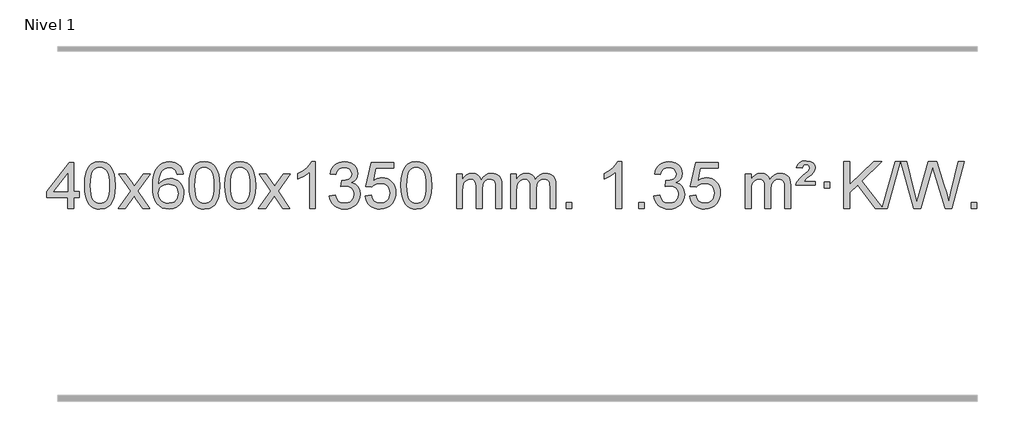
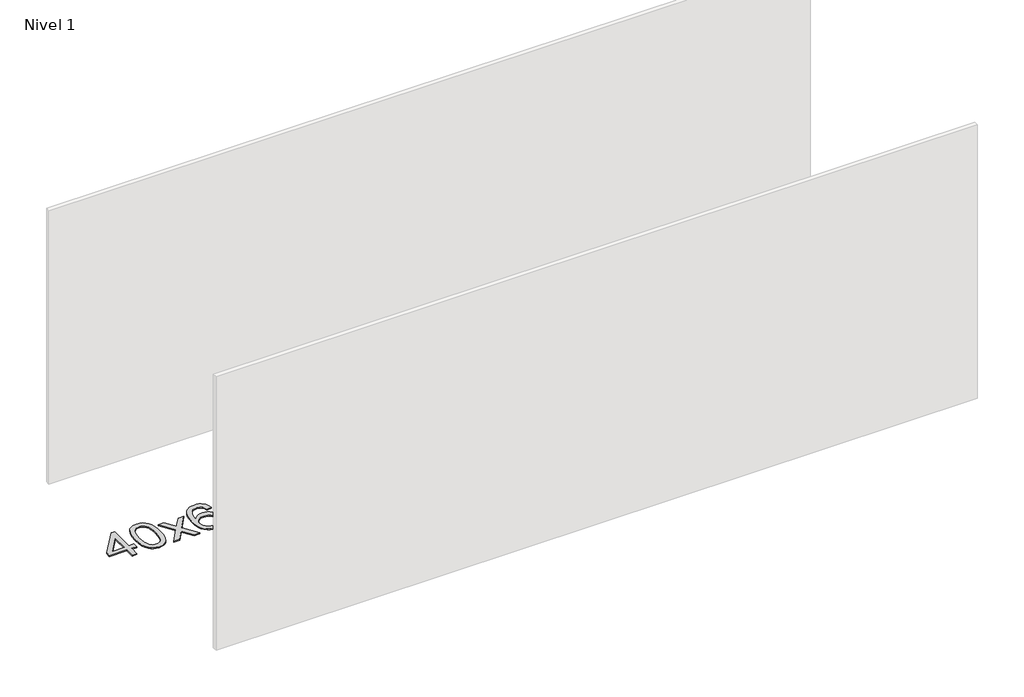
# One storey, part 10 of 10: 1 proxy.
"""IFC4 building model written with IfcOpenShell, lengths in millimetres."""

from ifc_helpers import new_model, si_unit, origin, origin_with_axes, place, context, project, spatial, polyline, outline, extrude, element, save

model = new_model("IFC4")

# Units and contexts
model_context = context("Model", 3, world=origin())
ifc_project = project(units=[si_unit("LENGTHUNIT", "METRE", prefix="MILLI")], contexts=[model_context])

# Site, building, storey
site = spatial("IfcSite", under=ifc_project)
building = spatial("IfcBuilding", under=site)
storey = spatial("IfcBuildingStorey", under=building, Name="Nivel 1", Elevation=0.0)

# Proxy
placement = place(None, origin())
element("IfcBuildingElementProxy", 1, Name="Texto de modelo 1", ObjectType="Texto de modelo 1", at=placement, inside=storey, context=model_context, shape_type="SweptSolid", body=[
    extrude(outline(polyline([(-6446.7519314, 2608.420547), (-6446.7519314, 2702.5983378), (-6628.8289935, 2702.5983378), (-6628.8289935, 2752.8264928), (-6434.1948926, 3003.9672682), (-6396.5237763, 3003.9672682), (-6396.5237763, 2752.8264928), (-6346.2956212, 2752.8264928), (-6346.2956212, 2702.5983378), (-6396.5237763, 2702.5983378), (-6396.5237763, 2608.420547), (-6446.7519314, 2608.420547)]), holes=[polyline([(-6446.7519314, 2752.8264928), (-6446.7519314, 2908.0236439), (-6567.0248183, 2752.8264928), (-6446.7519314, 2752.8264928)])]), origin_with_axes(), (0.0, 0.0, 1.0), 10.0),
    extrude(outline(polyline([(-6302.3459855, 2806.0958057), (-6298.6549029, 2870.4138412), (-6287.5816548, 2921.7088541), (-6269.236606, 2960.7656593), (-6257.378543, 2975.9990395), (-6243.730121, 2988.3690716), (-6228.2453547, 2997.9401349), (-6210.8782588, 3004.7766086), (-6170.4970785, 3010.2457876), (-6139.5459399, 3007.008426), (-6111.832163, 2997.2963414), (-6088.6555973, 2981.4896783), (-6071.3160926, 2959.9685816), (-6058.2194935, 2932.9169922), (-6047.7716449, 2900.5188512), (-6040.9290398, 2859.3773814), (-6038.6481714, 2806.0958057), (-6042.3024659, 2742.1456523), (-6053.2653493, 2690.9732667), (-6071.5000336, 2651.8796734), (-6083.3305054, 2636.6003078), (-6096.9697304, 2624.1658964), (-6112.4728908, 2614.5304538), (-6129.8951689, 2607.6479948), (-6170.4970785, 2602.1420276), (-6198.1618045, 2604.5332606), (-6222.6872709, 2611.7069595), (-6244.0734775, 2623.6631243), (-6262.3204245, 2640.4017551), (-6279.8316074, 2670.6600492), (-6292.3395953, 2708.3618224), (-6299.844388, 2753.5070745), (-6302.3459855, 2806.0958057)]), holes=[polyline([(-6252.1178305, 2806.1939076), (-6250.6463025, 2762.5293805), (-6246.2317185, 2727.1851178), (-6238.8740786, 2700.1611196), (-6228.5733828, 2681.4573858), (-6216.1144459, 2668.7317344), (-6202.2820829, 2659.6419835), (-6187.0762937, 2654.1881329), (-6170.4970785, 2652.3701827), (-6153.9178632, 2654.1942643), (-6138.7120741, 2659.6665089), (-6124.8797111, 2668.7869167), (-6112.4207742, 2681.5554876), (-6102.1200783, 2700.2898783), (-6094.7624384, 2727.3077451), (-6090.3478545, 2762.6090882), (-6088.8763265, 2806.1939076), (-6090.2988035, 2848.7026722), (-6094.5662347, 2883.4246011), (-6101.6786199, 2910.3596945), (-6111.6359592, 2929.5079524), (-6123.8864297, 2942.8559375), (-6137.8782082, 2952.3902125), (-6153.6112949, 2958.1107775), (-6171.0856897, 2960.0176325), (-6187.5790658, 2958.3376381), (-6202.5273375, 2953.2976548), (-6215.9305049, 2944.8976825), (-6227.7885679, 2933.1377214), (-6238.4326203, 2912.291075), (-6246.0355148, 2884.1848906), (-6250.5972516, 2848.8191681), (-6252.1178305, 2806.1939076)])]), origin_with_axes(), (0.0, 0.0, 1.0), 10.0),
    extrude(outline(polyline([(-6013.5340939, 2608.420547), (-5906.2106531, 2756.7505675), (-6007.2555745, 2903.5109581), (-5946.8248254, 2903.5109581), (-5898.0681983, 2832.877615), (-5875.3085655, 2799.5229808), (-5855.5900906, 2826.7952993), (-5800.0644348, 2903.5109581), (-5739.6336857, 2903.5109581), (-5845.7799041, 2756.7505675), (-5743.5577603, 2608.420547), (-5803.9885094, 2608.420547), (-5865.498379, 2697.5951426), (-5876.7800935, 2713.8800523), (-5953.1033448, 2608.420547), (-6013.5340939, 2608.420547)])), origin_with_axes(), (0.0, 0.0, 1.0), 10.0),
    extrude(outline(polyline([(-5454.7458687, 2903.5109581), (-5504.9740237, 2897.2324387), (-5513.0674276, 2922.125787), (-5524.0057856, 2939.1219352), (-5546.7899439, 2954.7937082), (-5574.3320426, 2960.0176325), (-5597.6802865, 2956.9764747), (-5619.6551044, 2947.8530012), (-5638.5274507, 2928.6372983), (-5653.9417063, 2902.1865829), (-5664.3527668, 2864.772984), (-5668.2155277, 2812.6686307), (-5648.0678571, 2836.1762902), (-5623.9225355, 2852.7432427), (-5597.1284635, 2862.565692), (-5569.0345418, 2865.8398418), (-5544.9014829, 2863.601893), (-5522.6323595, 2856.8880466), (-5502.2271715, 2845.6983025), (-5483.6859189, 2830.0326609), (-5468.2777947, 2810.8230894), (-5457.2719917, 2789.0015557), (-5450.6685099, 2764.5680599), (-5448.4673493, 2737.5226018), (-5452.6121531, 2701.5560055), (-5465.0465645, 2668.213634), (-5484.740514, 2639.9357713), (-5510.6639319, 2619.1627013), (-5541.6395959, 2606.397196), (-5576.4902836, 2602.1420276), (-5606.4328123, 2604.9624563), (-5633.4752046, 2613.4237421), (-5657.6174606, 2627.5258853), (-5678.8595801, 2647.2688857), (-5696.177625, 2673.4866092), (-5708.5476571, 2707.0129217), (-5715.9696764, 2747.8478232), (-5718.4436828, 2795.9913136), (-5715.6968306, 2849.9657337), (-5707.4562739, 2896.0306908), (-5693.7220127, 2934.1861851), (-5674.4940471, 2964.4322165), (-5653.6535321, 2984.4756538), (-5629.4898164, 2998.7923948), (-5602.0029, 3007.3824394), (-5571.1927829, 3010.2457876), (-5548.0591367, 3008.4738227), (-5527.1205198, 3003.1579278), (-5508.3769322, 2994.2981031), (-5491.8283738, 2981.8943485), (-5477.9224344, 2966.3635969), (-5467.1067037, 2948.1227814), (-5459.3811818, 2927.1719017), (-5454.7458687, 2903.5109581)]), holes=[polyline([(-5668.2155277, 2738.3074168), (-5665.30926, 2716.0505561), (-5656.5904567, 2694.7992395), (-5643.0523993, 2676.527767), (-5625.6883691, 2663.2104388), (-5604.7313581, 2655.0802467), (-5580.4143582, 2652.3701827), (-5547.2681904, 2657.9865145), (-5533.353054, 2665.0069292), (-5521.2098825, 2674.8355099), (-5511.359842, 2687.0737176), (-5504.3240989, 2701.3230135), (-5498.6955043, 2735.8548701), (-5504.2505225, 2769.0010379), (-5511.1942951, 2782.6218688), (-5520.9155769, 2794.274531), (-5533.0955366, 2803.6095366), (-5547.4153432, 2810.2773978), (-5582.4744974, 2815.6116867), (-5615.5716142, 2810.2773978), (-5643.248603, 2794.274531), (-5654.1716326, 2782.7751529), (-5661.9737965, 2769.6141746), (-5666.6550949, 2754.7915958), (-5668.2155277, 2738.3074168)])]), origin_with_axes(), (0.0, 0.0, 1.0), 10.0),
    extrude(outline(polyline([(-5404.5177136, 2806.0958057), (-5400.8266309, 2870.4138412), (-5389.7533828, 2921.7088541), (-5371.408334, 2960.7656593), (-5359.550271, 2975.9990395), (-5345.901849, 2988.3690716), (-5330.4170827, 2997.9401349), (-5313.0499869, 3004.7766086), (-5272.6688065, 3010.2457876), (-5241.717668, 3007.008426), (-5214.003891, 2997.2963414), (-5190.8273253, 2981.4896783), (-5173.4878206, 2959.9685816), (-5160.3912216, 2932.9169922), (-5149.9433729, 2900.5188512), (-5143.1007678, 2859.3773814), (-5140.8198994, 2806.0958057), (-5144.4741939, 2742.1456523), (-5155.4370774, 2690.9732667), (-5173.6717616, 2651.8796734), (-5185.5022334, 2636.6003078), (-5199.1414584, 2624.1658964), (-5214.6446188, 2614.5304538), (-5232.066897, 2607.6479948), (-5272.6688065, 2602.1420276), (-5300.3335326, 2604.5332606), (-5324.8589989, 2611.7069595), (-5346.2452055, 2623.6631243), (-5364.4921525, 2640.4017551), (-5382.0033355, 2670.6600492), (-5394.5113233, 2708.3618224), (-5402.016116, 2753.5070745), (-5404.5177136, 2806.0958057)]), holes=[polyline([(-5354.2895585, 2806.1939076), (-5352.8180305, 2762.5293805), (-5348.4034466, 2727.1851178), (-5341.0458067, 2700.1611196), (-5330.7451108, 2681.4573858), (-5318.2861739, 2668.7317344), (-5304.4538109, 2659.6419835), (-5289.2480218, 2654.1881329), (-5272.6688065, 2652.3701827), (-5256.0895913, 2654.1942643), (-5240.8838021, 2659.6665089), (-5227.0514391, 2668.7869167), (-5214.5925022, 2681.5554876), (-5204.2918063, 2700.2898783), (-5196.9341664, 2727.3077451), (-5192.5195825, 2762.6090882), (-5191.0480545, 2806.1939076), (-5192.4705316, 2848.7026722), (-5196.7379627, 2883.4246011), (-5203.8503479, 2910.3596945), (-5213.8076873, 2929.5079524), (-5226.0581577, 2942.8559375), (-5240.0499363, 2952.3902125), (-5255.7830229, 2958.1107775), (-5273.2574177, 2960.0176325), (-5289.7507938, 2958.3376381), (-5304.6990656, 2953.2976548), (-5318.1022329, 2944.8976825), (-5329.9602959, 2933.1377214), (-5340.6043483, 2912.291075), (-5348.2072429, 2884.1848906), (-5352.7689796, 2848.8191681), (-5354.2895585, 2806.1939076)])]), origin_with_axes(), (0.0, 0.0, 1.0), 10.0),
    extrude(outline(polyline([(-5096.8702638, 2806.0958057), (-5093.1791811, 2870.4138412), (-5082.105933, 2921.7088541), (-5063.7608842, 2960.7656593), (-5051.9028212, 2975.9990395), (-5038.2543992, 2988.3690716), (-5022.7696329, 2997.9401349), (-5005.402537, 3004.7766086), (-4965.0213567, 3010.2457876), (-4934.0702182, 3007.008426), (-4906.3564412, 2997.2963414), (-4883.1798755, 2981.4896783), (-4865.8403708, 2959.9685816), (-4852.7437718, 2932.9169922), (-4842.2959231, 2900.5188512), (-4835.453318, 2859.3773814), (-4833.1724496, 2806.0958057), (-4836.8267441, 2742.1456523), (-4847.7896275, 2690.9732667), (-4866.0243118, 2651.8796734), (-4877.8547836, 2636.6003078), (-4891.4940086, 2624.1658964), (-4906.997169, 2614.5304538), (-4924.4194471, 2607.6479948), (-4965.0213567, 2602.1420276), (-4992.6860827, 2604.5332606), (-5017.2115491, 2611.7069595), (-5038.5977557, 2623.6631243), (-5056.8447027, 2640.4017551), (-5074.3558856, 2670.6600492), (-5086.8638735, 2708.3618224), (-5094.3686662, 2753.5070745), (-5096.8702638, 2806.0958057)]), holes=[polyline([(-5046.6421087, 2806.1939076), (-5045.1705807, 2762.5293805), (-5040.7559968, 2727.1851178), (-5033.3983568, 2700.1611196), (-5023.097661, 2681.4573858), (-5010.6387241, 2668.7317344), (-4996.8063611, 2659.6419835), (-4981.6005719, 2654.1881329), (-4965.0213567, 2652.3701827), (-4948.4421414, 2654.1942643), (-4933.2363523, 2659.6665089), (-4919.4039893, 2668.7869167), (-4906.9450524, 2681.5554876), (-4896.6443565, 2700.2898783), (-4889.2867166, 2727.3077451), (-4884.8721327, 2762.6090882), (-4883.4006047, 2806.1939076), (-4884.8230817, 2848.7026722), (-4889.0905129, 2883.4246011), (-4896.2028981, 2910.3596945), (-4906.1602375, 2929.5079524), (-4918.4107079, 2942.8559375), (-4932.4024864, 2952.3902125), (-4948.1355731, 2958.1107775), (-4965.6099679, 2960.0176325), (-4982.103344, 2958.3376381), (-4997.0516157, 2953.2976548), (-5010.4547831, 2944.8976825), (-5022.3128461, 2933.1377214), (-5032.9568985, 2912.291075), (-5040.559793, 2884.1848906), (-5045.1215298, 2848.8191681), (-5046.6421087, 2806.1939076)])]), origin_with_axes(), (0.0, 0.0, 1.0), 10.0),
    extrude(outline(polyline([(-4808.0583721, 2608.420547), (-4700.7349313, 2756.7505675), (-4801.7798527, 2903.5109581), (-4741.3491036, 2903.5109581), (-4692.5924765, 2832.877615), (-4669.8328437, 2799.5229808), (-4650.1143688, 2826.7952993), (-4594.588713, 2903.5109581), (-4534.1579639, 2903.5109581), (-4640.3041823, 2756.7505675), (-4538.0820385, 2608.420547), (-4598.5127876, 2608.420547), (-4660.0226572, 2697.5951426), (-4671.3043717, 2713.8800523), (-4747.627623, 2608.420547), (-4808.0583721, 2608.420547)])), origin_with_axes(), (0.0, 0.0, 1.0), 10.0),
    extrude(outline(polyline([(-4318.3338601, 2608.420547), (-4368.5620152, 2608.420547), (-4368.5620152, 2921.5617013), (-4389.5312889, 2904.6023413), (-4416.1414199, 2887.6675068), (-4469.0183253, 2862.3081746), (-4469.0183253, 2909.7894775), (-4429.5691127, 2931.2492605), (-4395.3928753, 2956.780271), (-4368.4516506, 2983.9299622), (-4350.7074757, 3010.2457876), (-4318.3338601, 3010.2457876), (-4318.3338601, 2608.420547)])), origin_with_axes(), (0.0, 0.0, 1.0), 10.0),
    extrude(outline(polyline([(-4199.0419918, 2715.1553765), (-4148.8138367, 2721.4338959), (-4137.5689104, 2689.8696207), (-4121.1000597, 2668.5569905), (-4098.5979444, 2656.4168846), (-4069.2532239, 2652.3701827), (-4034.8194691, 2657.9374636), (-4020.5456477, 2664.8965646), (-4008.2338636, 2674.6393061), (-3991.2377154, 2699.5571799), (-3985.5723327, 2729.7725545), (-3991.1886645, 2758.4550874), (-4008.0376599, 2781.7174922), (-4033.5441449, 2797.1317478), (-4065.1329455, 2802.269833), (-4100.3515152, 2796.7761285), (-4094.7597089, 2847.0042836), (-4086.7153559, 2846.4156724), (-4056.6226087, 2850.020916), (-4029.7181721, 2860.8366466), (-4018.6449241, 2869.0158897), (-4010.7354612, 2879.1326445), (-4005.9897835, 2891.1869112), (-4004.4078909, 2905.1786898), (-4008.9941531, 2926.8714648), (-4022.7529397, 2944.4684869), (-4043.7467389, 2956.1303461), (-4070.0380388, 2960.0176325), (-4096.3783897, 2956.0935579), (-4117.9117491, 2944.3213341), (-4133.632573, 2924.700961), (-4142.5353173, 2897.2324387), (-4192.7634724, 2903.5109581), (-4186.8099154, 2927.4907328), (-4177.9746162, 2948.6132907), (-4166.2575747, 2966.8786317), (-4151.6587908, 2982.286756), (-4134.6381172, 2994.5188323), (-4115.6554062, 3003.2560297), (-4094.710658, 3008.4983481), (-4071.8038724, 3010.2457876), (-4040.2273345, 3006.7999596), (-4011.2259705, 2996.4624755), (-3986.7740806, 2980.1530404), (-3968.8459647, 2958.7913592), (-3957.846293, 2934.1800537), (-3954.1797358, 2908.1217457), (-3957.662352, 2883.8415341), (-3968.1102007, 2861.8176653), (-3985.376129, 2843.0556835), (-4009.3129841, 2828.5611329), (-3977.8713363, 2815.8569414), (-3954.5721433, 2794.22548), (-3940.151169, 2764.8439714), (-3935.3441776, 2728.8896377), (-3937.7476733, 2703.4076782), (-3944.9581605, 2679.9368069), (-3956.975639, 2658.4770238), (-3973.8001089, 2639.028329), (-3994.2972674, 2622.8905722), (-4017.3328116, 2611.363603), (-4042.9067417, 2604.4474215), (-4071.0190575, 2602.1420276), (-4096.4274406, 2604.1101963), (-4119.5794808, 2610.0147023), (-4140.4751782, 2619.8555457), (-4159.1145326, 2633.6327264), (-4174.743386, 2650.5369041), (-4186.6075804, 2669.7587383), (-4194.7071156, 2691.2982292), (-4199.0419918, 2715.1553765)])), origin_with_axes(), (0.0, 0.0, 1.0), 10.0),
    extrude(outline(polyline([(-3891.394542, 2715.1553765), (-3841.1663869, 2721.4338959), (-3831.9448115, 2691.2798351), (-3815.8561056, 2669.6851619), (-3792.9738455, 2656.6989275), (-3763.3716076, 2652.3701827), (-3744.2417439, 2653.8754332), (-3727.368223, 2658.3911847), (-3712.7510451, 2665.9174372), (-3700.3902101, 2676.4541906), (-3690.5616294, 2689.480279), (-3683.5412147, 2704.4745359), (-3677.9248829, 2740.3675559), (-3683.1855954, 2774.1636486), (-3689.7614861, 2788.0818507), (-3698.967733, 2800.0134901), (-3710.834993, 2809.5845533), (-3725.393923, 2816.4210271), (-3762.5867927, 2821.8902061), (-3786.9528435, 2819.7074396), (-3806.6835812, 2813.1591401), (-3822.4411933, 2803.1282243), (-3834.8878675, 2790.4976092), (-3885.1160226, 2796.7761285), (-3841.1663869, 3003.9672682), (-3646.532286, 3003.9672682), (-3646.532286, 2953.7391131), (-3800.5522146, 2953.7391131), (-3822.0365231, 2843.080209), (-3804.3107423, 2855.7844006), (-3786.1557659, 2864.8588231), (-3767.5715937, 2870.3034766), (-3748.558226, 2872.1183612), (-3724.097139, 2869.8681496), (-3701.6287461, 2863.117515), (-3681.1530474, 2851.8664573), (-3662.6700428, 2836.1149766), (-3647.3692175, 2816.8256973), (-3636.4400566, 2794.961244), (-3629.88256, 2770.5216168), (-3627.6967278, 2743.5068156), (-3629.6648965, 2717.4852958), (-3635.5694025, 2693.2786606), (-3645.4102459, 2670.8869098), (-3659.1874266, 2650.3100435), (-3680.0585985, 2629.2365366), (-3704.4123865, 2614.1840316), (-3732.2487908, 2605.1525286), (-3763.5678114, 2602.1420276), (-3789.4881636, 2604.0764738), (-3812.9007869, 2609.8798123), (-3833.8056813, 2619.552043), (-3852.2028467, 2633.0931662), (-3867.5098034, 2649.8287312), (-3879.1440715, 2669.084288), (-3887.105651, 2690.8598364), (-3891.394542, 2715.1553765)])), origin_with_axes(), (0.0, 0.0, 1.0), 10.0),
    extrude(outline(polyline([(-3583.7470921, 2806.0958057), (-3580.0560094, 2870.4138412), (-3568.9827614, 2921.7088541), (-3550.6377126, 2960.7656593), (-3538.7796496, 2975.9990395), (-3525.1312276, 2988.3690716), (-3509.6464612, 2997.9401349), (-3492.2793654, 3004.7766086), (-3451.8981851, 3010.2457876), (-3420.9470465, 3007.008426), (-3393.2332696, 2997.2963414), (-3370.0567039, 2981.4896783), (-3352.7171992, 2959.9685816), (-3339.6206001, 2932.9169922), (-3329.1727515, 2900.5188512), (-3322.3301463, 2859.3773814), (-3320.049278, 2806.0958057), (-3323.7035725, 2742.1456523), (-3334.6664559, 2690.9732667), (-3352.9011401, 2651.8796734), (-3364.731612, 2636.6003078), (-3378.3708369, 2624.1658964), (-3393.8739974, 2614.5304538), (-3411.2962755, 2607.6479948), (-3451.8981851, 2602.1420276), (-3479.5629111, 2604.5332606), (-3504.0883774, 2611.7069595), (-3525.4745841, 2623.6631243), (-3543.721531, 2640.4017551), (-3561.232714, 2670.6600492), (-3573.7407019, 2708.3618224), (-3581.2454946, 2753.5070745), (-3583.7470921, 2806.0958057)]), holes=[polyline([(-3533.518937, 2806.1939076), (-3532.0474091, 2762.5293805), (-3527.6328251, 2727.1851178), (-3520.2751852, 2700.1611196), (-3509.9744894, 2681.4573858), (-3497.5155525, 2668.7317344), (-3483.6831894, 2659.6419835), (-3468.4774003, 2654.1881329), (-3451.8981851, 2652.3701827), (-3435.3189698, 2654.1942643), (-3420.1131807, 2659.6665089), (-3406.2808176, 2668.7869167), (-3393.8218807, 2681.5554876), (-3383.5211849, 2700.2898783), (-3376.163545, 2727.3077451), (-3371.748961, 2762.6090882), (-3370.2774331, 2806.1939076), (-3371.6999101, 2848.7026722), (-3375.9673412, 2883.4246011), (-3383.0797265, 2910.3596945), (-3393.0370658, 2929.5079524), (-3405.2875363, 2942.8559375), (-3419.2793148, 2952.3902125), (-3435.0124015, 2958.1107775), (-3452.4867962, 2960.0176325), (-3468.9801724, 2958.3376381), (-3483.9284441, 2953.2976548), (-3497.3316115, 2944.8976825), (-3509.1896744, 2933.1377214), (-3519.8337268, 2912.291075), (-3527.4366214, 2884.1848906), (-3531.9983581, 2848.8191681), (-3533.518937, 2806.1939076)])]), origin_with_axes(), (0.0, 0.0, 1.0), 10.0),
    extrude(outline(polyline([(-3106.5796189, 2608.420547), (-3106.5796189, 2903.5109581), (-3056.3514638, 2903.5109581), (-3056.3514638, 2854.9505347), (-3041.2437766, 2877.2564463), (-3021.8196072, 2894.7308411), (-2998.7411434, 2906.0248184), (-2972.6705727, 2909.7894775), (-2944.7360665, 2905.951242), (-2922.3443157, 2894.4365355), (-2905.6179477, 2876.0056476), (-2894.6795897, 2851.4188676), (-2876.3713291, 2876.9560094), (-2855.4878945, 2895.196825), (-2832.0292859, 2906.1413143), (-2805.9955034, 2909.7894775), (-2785.8876867, 2908.2719642), (-2768.2385479, 2903.7194245), (-2753.0480872, 2896.1318584), (-2740.3163045, 2885.5092658), (-2730.2516663, 2871.7290194), (-2723.0626389, 2854.6684918), (-2718.7492225, 2834.3276832), (-2717.3114171, 2810.7065934), (-2717.3114171, 2608.420547), (-2767.5395722, 2608.420547), (-2767.5395722, 2789.124183), (-2768.7045318, 2814.1769469), (-2772.1994108, 2831.0627305), (-2778.7477103, 2842.6264879), (-2789.0729316, 2851.7131732), (-2802.3534716, 2857.5992851), (-2817.7677272, 2859.5613224), (-2844.9787321, 2854.5336018), (-2867.1620165, 2839.45044), (-2875.7673895, 2827.8805512), (-2881.9140845, 2813.2817674), (-2886.8314405, 2774.9975144), (-2886.8314405, 2608.420547), (-2937.0595955, 2608.420547), (-2937.0595955, 2794.7159894), (-2939.9658633, 2823.1164794), (-2948.6846666, 2843.3745146), (-2964.0253458, 2855.5146204), (-2986.7972413, 2859.5613224), (-3006.1478342, 2856.8635211), (-3023.9778483, 2848.7701172), (-3038.6931281, 2835.4773144), (-3048.6995183, 2817.1813165), (-3054.4384775, 2791.7974589), (-3056.3514638, 2757.2410768), (-3056.3514638, 2608.420547), (-3106.5796189, 2608.420547)])), origin_with_axes(), (0.0, 0.0, 1.0), 10.0),
    extrude(outline(polyline([(-2641.9691845, 2608.420547), (-2641.9691845, 2903.5109581), (-2591.7410294, 2903.5109581), (-2591.7410294, 2854.9505347), (-2576.6333421, 2877.2564463), (-2557.2091728, 2894.7308411), (-2534.130709, 2906.0248184), (-2508.0601382, 2909.7894775), (-2480.1256321, 2905.951242), (-2457.7338813, 2894.4365355), (-2441.0075132, 2876.0056476), (-2430.0691552, 2851.4188676), (-2411.7608946, 2876.9560094), (-2390.87746, 2895.196825), (-2367.4188515, 2906.1413143), (-2341.3850689, 2909.7894775), (-2321.2772522, 2908.2719642), (-2303.6281135, 2903.7194245), (-2288.4376528, 2896.1318584), (-2275.7058701, 2885.5092658), (-2265.6412318, 2871.7290194), (-2258.4522045, 2854.6684918), (-2254.1387881, 2834.3276832), (-2252.7009826, 2810.7065934), (-2252.7009826, 2608.420547), (-2302.9291377, 2608.420547), (-2302.9291377, 2789.124183), (-2304.0940974, 2814.1769469), (-2307.5889763, 2831.0627305), (-2314.1372758, 2842.6264879), (-2324.4624972, 2851.7131732), (-2337.7430372, 2857.5992851), (-2353.1572928, 2859.5613224), (-2380.3682977, 2854.5336018), (-2402.551582, 2839.45044), (-2411.156955, 2827.8805512), (-2417.30365, 2813.2817674), (-2422.221006, 2774.9975144), (-2422.221006, 2608.420547), (-2472.4491611, 2608.420547), (-2472.4491611, 2794.7159894), (-2475.3554289, 2823.1164794), (-2484.0742321, 2843.3745146), (-2499.4149113, 2855.5146204), (-2522.1868068, 2859.5613224), (-2541.5373998, 2856.8635211), (-2559.3674138, 2848.7701172), (-2574.0826936, 2835.4773144), (-2584.0890839, 2817.1813165), (-2589.828043, 2791.7974589), (-2591.7410294, 2757.2410768), (-2591.7410294, 2608.420547), (-2641.9691845, 2608.420547)])), origin_with_axes(), (0.0, 0.0, 1.0), 10.0),
    extrude(outline(polyline([(-2164.8017113, 2608.420547), (-2164.8017113, 2658.6487021), (-2114.5735562, 2658.6487021), (-2114.5735562, 2608.420547), (-2164.8017113, 2608.420547)])), origin_with_axes(), (0.0, 0.0, 1.0), 10.0),
    extrude(outline(polyline([(-1687.634238, 2608.420547), (-1737.8623931, 2608.420547), (-1737.8623931, 2921.5617013), (-1758.8316668, 2904.6023413), (-1785.4417978, 2887.6675068), (-1838.3187033, 2862.3081746), (-1838.3187033, 2909.7894775), (-1798.8694907, 2931.2492605), (-1764.6932533, 2956.780271), (-1737.7520285, 2983.9299622), (-1720.0078536, 3010.2457876), (-1687.634238, 3010.2457876), (-1687.634238, 2608.420547)])), origin_with_axes(), (0.0, 0.0, 1.0), 10.0),
    extrude(outline(polyline([(-1543.2282922, 2608.420547), (-1543.2282922, 2658.6487021), (-1493.0001371, 2658.6487021), (-1493.0001371, 2608.420547), (-1543.2282922, 2608.420547)])), origin_with_axes(), (0.0, 0.0, 1.0), 10.0),
    extrude(outline(polyline([(-1411.3793851, 2715.1553765), (-1361.1512301, 2721.4338959), (-1349.9063037, 2689.8696207), (-1333.4374531, 2668.5569905), (-1310.9353377, 2656.4168846), (-1281.5906172, 2652.3701827), (-1247.1568625, 2657.9374636), (-1232.8830411, 2664.8965646), (-1220.571257, 2674.6393061), (-1203.5751088, 2699.5571799), (-1197.9097261, 2729.7725545), (-1203.5260579, 2758.4550874), (-1220.3750532, 2781.7174922), (-1245.8815382, 2797.1317478), (-1277.4703389, 2802.269833), (-1312.6889086, 2796.7761285), (-1307.0971022, 2847.0042836), (-1299.0527493, 2846.4156724), (-1268.9600021, 2850.020916), (-1242.0555655, 2860.8366466), (-1230.9823174, 2869.0158897), (-1223.0728545, 2879.1326445), (-1218.3271768, 2891.1869112), (-1216.7452842, 2905.1786898), (-1221.3315464, 2926.8714648), (-1235.090333, 2944.4684869), (-1256.0841322, 2956.1303461), (-1282.3754322, 2960.0176325), (-1308.715783, 2956.0935579), (-1330.2491425, 2944.3213341), (-1345.9699664, 2924.700961), (-1354.8727107, 2897.2324387), (-1405.1008658, 2903.5109581), (-1399.1473088, 2927.4907328), (-1390.3120095, 2948.6132907), (-1378.594968, 2966.8786317), (-1363.9961842, 2982.286756), (-1346.9755105, 2994.5188323), (-1327.9927996, 3003.2560297), (-1307.0480513, 3008.4983481), (-1284.1412657, 3010.2457876), (-1252.5647278, 3006.7999596), (-1223.5633639, 2996.4624755), (-1199.1114739, 2980.1530404), (-1181.183358, 2958.7913592), (-1170.1836864, 2934.1800537), (-1166.5171291, 2908.1217457), (-1169.9997454, 2883.8415341), (-1180.447594, 2861.8176653), (-1197.7135223, 2843.0556835), (-1221.6503775, 2828.5611329), (-1190.2087296, 2815.8569414), (-1166.9095366, 2794.22548), (-1152.4885624, 2764.8439714), (-1147.681571, 2728.8896377), (-1150.0850667, 2703.4076782), (-1157.2955538, 2679.9368069), (-1169.3130323, 2658.4770238), (-1186.1375022, 2639.028329), (-1206.6346607, 2622.8905722), (-1229.670205, 2611.363603), (-1255.244135, 2604.4474215), (-1283.3564508, 2602.1420276), (-1308.7648339, 2604.1101963), (-1331.9168742, 2610.0147023), (-1352.8125715, 2619.8555457), (-1371.4519259, 2633.6327264), (-1387.0807794, 2650.5369041), (-1398.9449737, 2669.7587383), (-1407.044509, 2691.2982292), (-1411.3793851, 2715.1553765)])), origin_with_axes(), (0.0, 0.0, 1.0), 10.0),
    extrude(outline(polyline([(-1103.7319353, 2715.1553765), (-1053.5037802, 2721.4338959), (-1044.2822049, 2691.2798351), (-1028.193499, 2669.6851619), (-1005.3112389, 2656.6989275), (-975.709001, 2652.3701827), (-956.5791372, 2653.8754332), (-939.7056164, 2658.3911847), (-925.0884384, 2665.9174372), (-912.7276034, 2676.4541906), (-902.8990228, 2689.480279), (-895.878608, 2704.4745359), (-890.2622762, 2740.3675559), (-895.5229888, 2774.1636486), (-902.0988794, 2788.0818507), (-911.3051264, 2800.0134901), (-923.1723864, 2809.5845533), (-937.7313163, 2816.4210271), (-974.9241861, 2821.8902061), (-999.2902369, 2819.7074396), (-1019.0209745, 2813.1591401), (-1034.7785867, 2803.1282243), (-1047.2252608, 2790.4976092), (-1097.4534159, 2796.7761285), (-1053.5037802, 3003.9672682), (-858.8696793, 3003.9672682), (-858.8696793, 2953.7391131), (-1012.889608, 2953.7391131), (-1034.3739165, 2843.080209), (-1016.6481357, 2855.7844006), (-998.4931592, 2864.8588231), (-979.9089871, 2870.3034766), (-960.8956193, 2872.1183612), (-936.4345323, 2869.8681496), (-913.9661395, 2863.117515), (-893.4904407, 2851.8664573), (-875.0074362, 2836.1149766), (-859.7066109, 2816.8256973), (-848.7774499, 2794.961244), (-842.2199533, 2770.5216168), (-840.0341212, 2743.5068156), (-842.0022898, 2717.4852958), (-847.9067959, 2693.2786606), (-857.7476392, 2670.8869098), (-871.5248199, 2650.3100435), (-892.3959918, 2629.2365366), (-916.7497799, 2614.1840316), (-944.5861842, 2605.1525286), (-975.9052047, 2602.1420276), (-1001.825557, 2604.0764738), (-1025.2381803, 2609.8798123), (-1046.1430746, 2619.552043), (-1064.5402401, 2633.0931662), (-1079.8471968, 2649.8287312), (-1091.4814649, 2669.084288), (-1099.4430444, 2690.8598364), (-1103.7319353, 2715.1553765)])), origin_with_axes(), (0.0, 0.0, 1.0), 10.0),
    extrude(outline(polyline([(-626.5644621, 2608.420547), (-626.5644621, 2903.5109581), (-576.336307, 2903.5109581), (-576.336307, 2854.9505347), (-561.2286197, 2877.2564463), (-541.8044504, 2894.7308411), (-518.7259866, 2906.0248184), (-492.6554158, 2909.7894775), (-464.7209097, 2905.951242), (-442.3291589, 2894.4365355), (-425.6027909, 2876.0056476), (-414.6644329, 2851.4188676), (-396.3561722, 2876.9560094), (-375.4727377, 2895.196825), (-352.0141291, 2906.1413143), (-325.9803466, 2909.7894775), (-305.8725298, 2908.2719642), (-288.2233911, 2903.7194245), (-273.0329304, 2896.1318584), (-260.3011477, 2885.5092658), (-250.2365094, 2871.7290194), (-243.0474821, 2854.6684918), (-238.7340657, 2834.3276832), (-237.2962603, 2810.7065934), (-237.2962603, 2608.420547), (-287.5244153, 2608.420547), (-287.5244153, 2789.124183), (-288.689375, 2814.1769469), (-292.1842539, 2831.0627305), (-298.7325535, 2842.6264879), (-309.0577748, 2851.7131732), (-322.3383148, 2857.5992851), (-337.7525704, 2859.5613224), (-364.9635753, 2854.5336018), (-387.1468596, 2839.45044), (-395.7522326, 2827.8805512), (-401.8989276, 2813.2817674), (-406.8162836, 2774.9975144), (-406.8162836, 2608.420547), (-457.0444387, 2608.420547), (-457.0444387, 2794.7159894), (-459.9507065, 2823.1164794), (-468.6695098, 2843.3745146), (-484.010189, 2855.5146204), (-506.7820845, 2859.5613224), (-526.1326774, 2856.8635211), (-543.9626914, 2848.7701172), (-558.6779713, 2835.4773144), (-568.6843615, 2817.1813165), (-574.4233206, 2791.7974589), (-576.336307, 2757.2410768), (-576.336307, 2608.420547), (-626.5644621, 2608.420547)])), origin_with_axes(), (0.0, 0.0, 1.0), 10.0),
    extrude(outline(polyline([(-193.3466246, 2809.3331673), (-189.5206518, 2825.1520931), (-181.1819933, 2841.0200698), (-159.6731593, 2866.1586728), (-127.7164766, 2893.8969753), (-83.5706372, 2931.273786), (-76.4337265, 2942.8007552), (-74.0547563, 2954.6220299), (-75.9432172, 2966.7130848), (-81.6085999, 2976.4987459), (-90.977328, 2982.973469), (-103.9758252, 2985.1317101), (-116.4102366, 2983.5130293), (-125.26393, 2978.656987), (-131.6896022, 2969.1901569), (-136.8399501, 2953.7391131), (-187.0681052, 2960.0176325), (-176.2278491, 2985.2298119), (-159.5995829, 3002.7900458), (-135.834406, 3013.0907417), (-103.5834178, 3016.524307), (-67.8007624, 3012.3917659), (-43.0545668, 2999.9941427), (-28.6335926, 2981.6613566), (-23.8266012, 2959.7233269), (-27.9223541, 2936.8165414), (-40.2096127, 2915.1850801), (-60.737428, 2895.3685032), (-97.2067965, 2867.3113697), (-122.8113834, 2840.7257642), (-23.8266012, 2840.7257642), (-23.8266012, 2809.3331673), (-193.3466246, 2809.3331673)])), origin_with_axes(), (0.0, 0.0, 1.0), 10.0),
    extrude(outline(polyline([(51.5156314, 2784.2190898), (51.5156314, 2834.4472448), (101.7437865, 2834.4472448), (101.7437865, 2784.2190898), (51.5156314, 2784.2190898)])), origin_with_axes(), (0.0, 0.0, 1.0), 10.0),
    extrude(outline(polyline([(492.3854144, 2608.420547), (338.954097, 2811.0990009), (271.2638099, 2746.5479735), (271.2638099, 2608.420547), (221.0356548, 2608.420547), (221.0356548, 3010.2457876), (271.2638099, 3010.2457876), (271.2638099, 2813.5515475), (477.2777272, 3010.2457876), (547.5186628, 3010.2457876), (374.5650741, 2845.0422463), (549.218684, 2614.4650668), (660.5320117, 3010.2457876), (705.8550735, 3010.2457876), (592.8417246, 2608.420547), (553.7971822, 2608.420547), (547.5186628, 2608.420547), (492.3854144, 2608.420547)])), origin_with_axes(), (0.0, 0.0, 1.0), 10.0),
    extrude(outline(polyline([(820.3399504, 2608.420547), (710.7601668, 3010.2457876), (762.5579517, 3010.2457876), (826.1279605, 2746.155566), (845.7483335, 2664.6329159), (866.7421327, 2736.7377869), (946.4008474, 3010.2457876), (1021.056367, 3010.2457876), (1078.9364675, 2811.9819177), (1103.731714, 2738.4055186), (1122.0031864, 2664.6329159), (1141.0349483, 2743.8011212), (1205.1935683, 3010.2457876), (1256.9913532, 3010.2457876), (1147.3134677, 2608.420547), (1093.6517474, 2608.420547), (997.3157155, 2918.4224416), (983.87576, 2961.6853642), (968.7680727, 2909.5932737), (880.9669032, 2608.420547), (820.3399504, 2608.420547)])), origin_with_axes(), (0.0, 0.0, 1.0), 10.0),
    extrude(outline(polyline([(1313.4980277, 2608.420547), (1313.4980277, 2658.6487021), (1363.7261827, 2658.6487021), (1363.7261827, 2608.420547), (1313.4980277, 2608.420547)])), origin_with_axes(), (0.0, 0.0, 1.0), 10.0),
])

save(model, "model.ifc")
